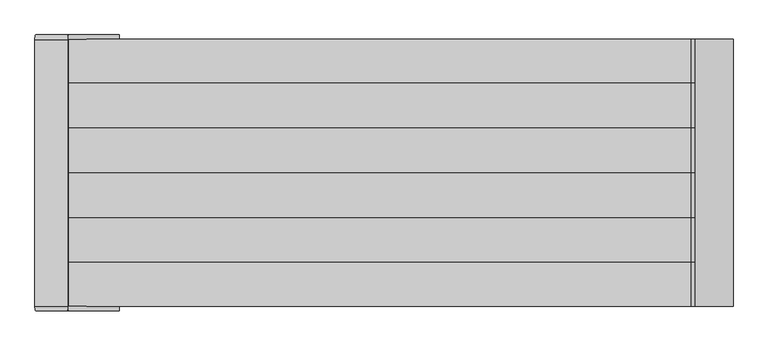
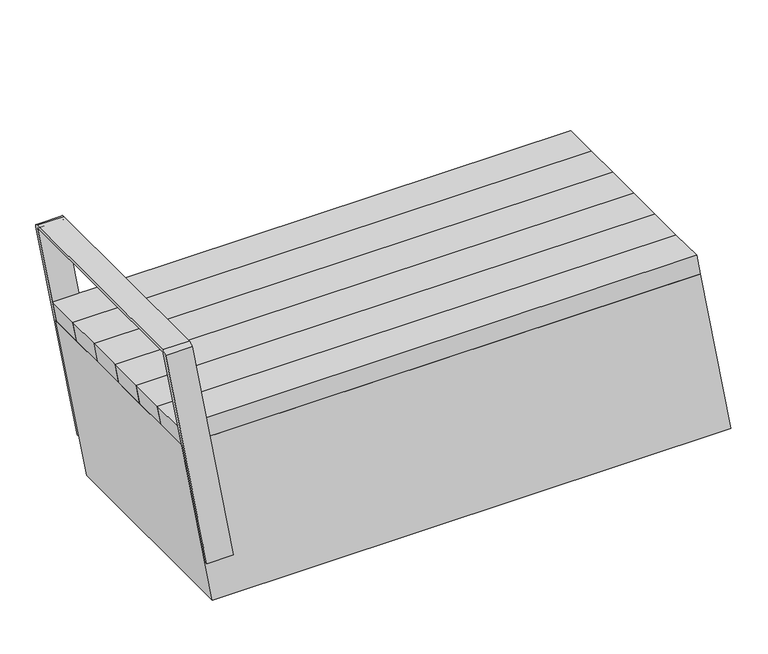
"""IFC4 building model written with IfcOpenShell, lengths in millimetres: furniture geometry."""

from ifc_helpers import new_model, si_unit, frame, origin, place, context, project, spatial, polyline, ellipse_curve, outline, extrude, faceted_brep, source, transform, mapped, element, save
from ifc_brep_helpers import plane_surface, cylinder_surface, revolved_surface, advanced_brep


def furniture_b1c08200(model_context):
    return source(origin(), model_context, "Body", "SolidModel", [
        faceted_brep([(-665.5307923, -249.9999633, 400.0), (524.4692077, -249.9999633, 400.0), (524.4692077, 250.0000367, 400.0), (-665.5307923, 250.0000367, 400.0), (404.8599588, -199.9999633, 400.0), (-545.0, -199.9999633, 400.0), (-545.0, 199.9999633, 400.0), (404.8599588, 199.9999633, 400.0), (-595.0, -250.0, 0.0), (-595.0, 250.0000367, 0.0), (595.0, 250.0000367, 0.0), (595.0, -250.0, 0.0), (-545.0, -199.9999633, 0.0), (545.0, -199.9999633, 0.0), (545.0, 199.9999633, 0.0), (-545.0, 199.9999633, 0.0), (406.9620594, -199.9999633, 394.0), (-545.0, -199.9999633, 394.0), (-545.0, -199.9999633, 6.0), (542.8978994, -199.9999633, 6.0), (406.9620594, 199.9999633, 394.0), (542.8978994, 199.9999633, 6.0), (-545.0, 199.9999633, 394.0), (-545.0, 199.9999633, 6.0), (-660.0, -243.9999633, 394.0), (-660.0, 243.9999633, 394.0), (515.9173492, 243.9999633, 394.0), (515.9173492, -243.9999633, 394.0), (-589.2341976, -243.9999633, 6.0), (587.4751393, -243.9999633, 6.0), (587.4751393, 243.9999633, 6.0), (-589.2341976, 243.9999633, 6.0)], [[[0, 1, 2, 3], [4, 5, 6, 7]], [[8, 9, 10, 11], [12, 13, 14, 15]], [[1, 0, 8, 11]], [[2, 1, 11, 10]], [[3, 2, 10, 9]], [[0, 3, 9, 8]], [[5, 4, 16, 17]], [[13, 12, 18, 19]], [[4, 7, 20, 16]], [[14, 13, 19, 21]], [[7, 6, 22, 20]], [[15, 14, 21, 23]], [[6, 5, 17, 22]], [[12, 15, 23, 18]], [[24, 25, 26, 27], [17, 16, 20, 22]], [[28, 29, 30, 31], [19, 18, 23, 21]], [[24, 27, 29, 28]], [[27, 26, 30, 29]], [[26, 25, 31, 30]], [[25, 24, 28, 31]]]),
        advanced_brep(
        [(-612.6326981, 258.0000367, 100.0), (-707.6729407, 258.0000367, 639.0), (-646.747344, 258.0000367, 639.0), (-551.7071014, 258.0000367, 100.0), (-709.2598835, 249.0000367, 648.0), (-648.3342868, 249.0000367, 648.0), (-709.2598835, -249.3999633, 648.0), (-648.3342868, -249.3999633, 648.0), (-707.6729407, -258.3999633, 639.0), (-646.747344, -258.3999633, 639.0), (-612.6326981, -258.3999633, 100.0), (-551.7071014, -258.3999633, 100.0), (-612.6326981, -249.9999633, 100.0), (-551.7071014, -249.9999633, 100.0), (-707.6729407, -249.9999633, 639.0), (-646.747344, -249.9999633, 639.0), (-707.8492677, -248.9999633, 640.0), (-646.9236709, -248.9999633, 640.0), (-707.8492677, 249.0000367, 640.0), (-646.9236709, 249.0000367, 640.0), (-707.6729407, 250.0000367, 639.0), (-646.747344, 250.0000367, 639.0), (-612.6326981, 250.0000367, 100.0), (-551.7071014, 250.0000367, 100.0)],
        [
            (0, 1),
            (1, 2),
            (2, 3),
            (3, 0),
            (1, 4, ellipse_curve(frame((-707.6729407, 249.0000367, 639.0), z_axis=(0.984807753012208, 0.0, 0.17364817766693075), x_axis=(0.17364817766693047, 0.0, -0.984807753012208)), 9.1388395, 9.0)),
            (4, 5),
            (5, 2, ellipse_curve(frame((-646.747344, 249.0000367, 639.0), z_axis=(-0.984807753012208, 0.0, -0.17364817766693072), x_axis=(0.1736481776669305, 0.0, -0.984807753012208)), 9.1388395, 9.0)),
            (4, 6),
            (6, 7),
            (7, 5),
            (6, 8, ellipse_curve(frame((-707.6729407, -249.3999633, 639.0), z_axis=(0.984807753012208, 0.0, 0.17364817766693075), x_axis=(0.17364817766693047, 0.0, -0.984807753012208)), 9.1388395, 9.0)),
            (8, 9),
            (9, 7, ellipse_curve(frame((-646.747344, -249.3999633, 639.0), z_axis=(-0.984807753012208, 0.0, -0.17364817766693072), x_axis=(0.1736481776669305, 0.0, -0.984807753012208)), 9.1388395, 9.0)),
            (8, 10),
            (10, 11),
            (11, 9),
            (10, 12),
            (12, 13),
            (13, 11),
            (12, 14),
            (14, 15),
            (15, 13),
            (14, 16, ellipse_curve(frame((-707.6729407, -248.9999633, 639.0), z_axis=(-0.984807753012208, 0.0, -0.17364817766693075), x_axis=(-0.17364817766693047, 0.0, 0.984807753012208)), 1.0154266, 1.0)),
            (16, 17),
            (17, 15, ellipse_curve(frame((-646.747344, -248.9999633, 639.0), z_axis=(0.984807753012208, 0.0, 0.17364817766693072), x_axis=(-0.1736481776669305, 0.0, 0.984807753012208)), 1.0154266, 1.0)),
            (16, 18),
            (18, 19),
            (19, 17),
            (18, 20, ellipse_curve(frame((-707.6729407, 249.0000367, 639.0), z_axis=(-0.984807753012208, 0.0, -0.17364817766693075), x_axis=(-0.17364817766693047, 0.0, 0.984807753012208)), 1.0154266, 1.0)),
            (20, 21),
            (21, 19, ellipse_curve(frame((-646.747344, 249.0000367, 639.0), z_axis=(0.984807753012208, 0.0, 0.17364817766693072), x_axis=(-0.1736481776669305, 0.0, 0.984807753012208)), 1.0154266, 1.0)),
            (20, 22),
            (22, 23),
            (23, 21),
            (22, 0),
            (3, 23),
        ],
        [
            plane_surface(frame((-545.0, 258.0000367, 100.0), z_axis=(0.0, 1.0, 0.0), x_axis=(-1.0, 0.0, 0.0))),
            cylinder_surface(frame((-709.2598835, 249.0000367, 639.0), z_axis=(1.0, 0.0, 0.0), x_axis=(0.0, -1.0, 0.0)), 9.0),
            plane_surface(frame((-545.0, 249.0000367, 648.0), z_axis=(0.0, 0.0, 1.0), x_axis=(-1.0, 0.0, 0.0))),
            cylinder_surface(frame((-709.2598835, -249.3999633, 639.0), z_axis=(1.0, 0.0, 0.0), x_axis=(0.0, -1.0, 0.0)), 9.0),
            plane_surface(frame((-545.0, -258.3999633, 639.0), z_axis=(0.0, -1.0, 0.0), x_axis=(-1.0, 0.0, 0.0))),
            plane_surface(frame((-545.0, -258.3999633, 100.0), z_axis=(0.0, 0.0, -1.0), x_axis=(-1.0, 0.0, 0.0))),
            plane_surface(frame((-545.0, -249.9999633, 100.0), z_axis=(0.0, 1.0, 0.0), x_axis=(-1.0, 0.0, 0.0))),
            revolved_surface(polyline([(-707.8492677, -249.9999633, 639.0), (-646.5710170213555, -249.9999633, 639.0)]), (-709.2598835, -248.9999633, 639.0), (-1.0, 0.0, 0.0)),
            plane_surface(frame((-545.0, -248.9999633, 640.0), z_axis=(0.0, 0.0, -1.0), x_axis=(-1.0, 0.0, 0.0))),
            revolved_surface(polyline([(-707.8492677, 248.0000367, 639.0), (-646.5710170213555, 248.0000367, 639.0)]), (-709.2598835, 249.0000367, 639.0), (-1.0, 0.0, 0.0)),
            plane_surface(frame((-545.0, 250.0000367, 639.0), z_axis=(0.0, -1.0, 0.0), x_axis=(-1.0, 0.0, 0.0))),
            plane_surface(frame((-545.0, 250.0000367, 100.0), z_axis=(0.0, 0.0, -1.0), x_axis=(-1.0, 0.0, 0.0))),
            plane_surface(frame((-607.4232527, -291.9214394, 70.4557674), z_axis=(-0.984807753012208, 0.0, -0.17364817766693075), x_axis=(0.0, 1.0, 0.0))),
            plane_surface(frame((-648.6198425, -292.5226052, 649.6194671), z_axis=(0.984807753012208, 0.0, 0.17364817766693072), x_axis=(0.0, 1.0, 0.0))),
        ],
        [
            (0, [[1, 2, 3, 4]]),
            (1, [[5, 6, 7, -2]]),
            (2, [[8, 9, 10, -6]]),
            (3, [[11, 12, 13, -9]]),
            (4, [[14, 15, 16, -12]]),
            (5, [[17, 18, 19, -15]]),
            (6, [[20, 21, 22, -18]]),
            (7, [[23, 24, 25, -21]]),
            (8, [[26, 27, 28, -24]]),
            (9, [[29, 30, 31, -27]]),
            (10, [[32, 33, 34, -30]]),
            (11, [[35, -4, 36, -33]]),
            (12, [[-1, -35, -32, -29, -26, -23, -20, -17, -14, -11, -8, -5]]),
            (13, [[-3, -7, -10, -13, -16, -19, -22, -25, -28, -31, -34, -36]]),
        ],
    ),
        extrude(outline(polyline([(448.5, -674.0826508), (400.0, -665.5307923), (400.0, 524.4692077), (448.5, 515.9173492), (448.5, -674.0826508)])), frame((0.0, -249.9999633, 0.0), z_axis=(0.0, 1.0, 0.0), x_axis=(0.0, 0.0, 1.0)), (0.0, 0.0, 1.0), 81.9999944),
        extrude(outline(polyline([(448.5, -674.0826508), (400.0, -665.5307923), (400.0, 524.4692077), (448.5, 515.9173492), (448.5, -674.0826508)])), frame((0.0, -167.9999689, 0.0), z_axis=(0.0, 1.0, 0.0), x_axis=(0.0, 0.0, 1.0)), (0.0, 0.0, 1.0), 84.0),
        extrude(outline(polyline([(448.5, -674.0826508), (400.0, -665.5307923), (400.0, 524.4692077), (448.5, 515.9173492), (448.5, -674.0826508)])), frame((0.0, -83.9999689, 0.0), z_axis=(0.0, 1.0, 0.0), x_axis=(0.0, 0.0, 1.0)), (0.0, 0.0, 1.0), 83.9999689),
        extrude(outline(polyline([(448.5, -674.0826508), (400.0, -665.5307923), (400.0, 524.4692077), (448.5, 515.9173492), (448.5, -674.0826508)])), frame((0.0, 0.0, 0.0), z_axis=(0.0, 1.0, 0.0), x_axis=(0.0, 0.0, 1.0)), (0.0, 0.0, 1.0), 84.0000311),
        extrude(outline(polyline([(448.5, -674.0826508), (400.0, -665.5307923), (400.0, 524.4692077), (448.5, 515.9173492), (448.5, -674.0826508)])), frame((0.0, 84.0000311, 0.0), z_axis=(0.0, 1.0, 0.0), x_axis=(0.0, 0.0, 1.0)), (0.0, 0.0, 1.0), 84.0),
        extrude(outline(polyline([(448.5, -674.0826508), (400.0, -665.5307923), (400.0, 524.4692077), (448.5, 515.9173492), (448.5, -674.0826508)])), frame((0.0, 168.0000311, 0.0), z_axis=(0.0, 1.0, 0.0), x_axis=(0.0, 0.0, 1.0)), (0.0, 0.0, 1.0), 82.0000056),
    ])


if __name__ == "__main__":
    model = new_model("IFC4")
    model_context = context("Model", 3, world=origin())
    ifc_project = project(units=[si_unit("LENGTHUNIT", "METRE", prefix="MILLI")], contexts=[model_context])
    site = spatial("IfcSite", under=ifc_project)
    building = spatial("IfcBuilding", under=site)
    placement = place(None, origin())
    furniture_shape = furniture_b1c08200(model_context)
    element("IfcFurniture", 1, at=placement, inside=building, context=model_context, shape_type="MappedRepresentation", body=[
        mapped(furniture_shape, transform((0.0, 0.0, 0.0), x_axis=(1.0, 0.0, 0.0), y_axis=(0.0, 1.0, 0.0), z_axis=(0.0, 0.0, 1.0))),
    ])
    save(model, "model.ifc")
